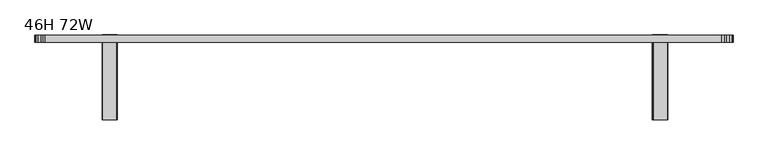
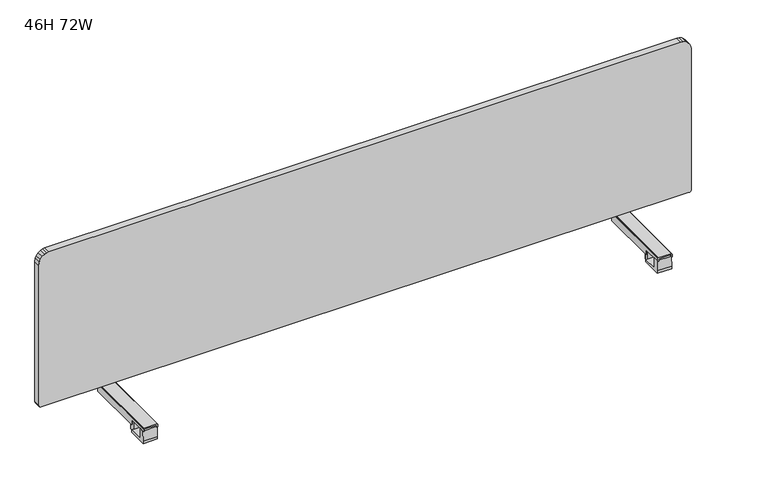
"""IFC4 building model written with IfcOpenShell, lengths in millimetres: furniture geometry, 46H 72W."""

from ifc_helpers import new_model, si_unit, frame, origin, place, context, project, spatial, polyline, outline, extrude, faceted_brep, source, transform, mapped, element, save


def furniture_46h_72w_7a86ad3f(model_context):
    return source(origin(), model_context, "Body", "SolidModel", [
        extrude(outline(polyline([(1645.1823822, -141.6031239), (1645.1823822, -154.2281164), (1616.18239, -154.2281164), (1616.18239, -141.6031239), (1616.7681646, -140.1889115), (1618.1823951, -139.6031279), (1643.1823953, -139.6031279), (1644.5966077, -140.1889115), (1645.1823822, -141.6031239)])), frame((0.0, 0.0, 646.9791864), z_axis=(0.0, 0.0, 1.0), x_axis=(1.0, 0.0, 0.0)), (0.0, 0.0, 1.0), 36.529965),
        extrude(outline(polyline([(-194.9781181, 683.4791388), (-194.9781181, 653.9791225), (-154.2281164, 653.9791225), (-154.2281164, 646.9791864), (-209.6031339, 646.9791864), (-209.6031339, 653.9791225), (-208.6031222, 683.4791388), (-194.9781181, 683.4791388)])), frame((1610.6823805, 0.0, 0.0), z_axis=(1.0, 0.0, 0.0), x_axis=(0.0, 1.0, 0.0)), (0.0, 0.0, 1.0), 40.0000112),
        faceted_brep([(1648.1423941, -211.9031207, 688.4791243), (1648.1423941, -211.9031207, 683.5091515), (1650.6823917, -211.9031207, 683.5091515), (1650.6823917, -211.9031207, 691.0191582), (1650.096599, -211.9031207, 692.4333887), (1648.6823866, -211.9031207, 693.0191814), (1612.6823856, -211.9031207, 693.0191814), (1611.2681732, -211.9031207, 692.4333887), (1610.6823805, -211.9031207, 691.0191582), (1610.6823805, -211.9031207, 683.5091515), (1613.2223781, -211.9031207, 683.5091515), (1613.2223781, -211.9031207, 688.4791243), (1613.8081708, -211.9031207, 689.8933548), (1615.2223832, -211.9031207, 690.4791475), (1646.142389, -211.9031207, 690.4791475), (1647.5566014, -211.9031207, 689.8933548), (1648.1423941, 9.9217944, 669.0191202), (1648.1423941, 9.9217944, 688.4791243), (1647.5566014, 9.9217944, 689.8933548), (1646.142389, 9.9217944, 690.4791475), (1615.2223832, 9.9217944, 690.4791475), (1613.8081708, 9.9217944, 689.8933548), (1613.2223781, 9.9217944, 688.4791243), (1613.2223781, 9.9217944, 669.0191202), (1610.6823805, 9.9217944, 669.0191202), (1610.6823805, 9.9217944, 691.0191582), (1611.2681732, 9.9217944, 692.4333887), (1612.6823856, 9.9217944, 693.0191814), (1648.6823866, 9.9217944, 693.0191814), (1650.096599, 9.9217944, 692.4333887), (1650.6823917, 9.9217944, 691.0191582), (1650.6823917, 9.9217944, 669.0191202), (1648.1423941, -154.103124, 669.0191202), (1648.1423941, -154.103124, 683.5091515), (1613.2223781, -154.103124, 683.5091515), (1613.2223781, -154.103124, 669.0191202), (1610.6823805, -154.103124, 669.0191202), (1610.6823805, -154.103124, 683.5091515), (1650.6823917, -154.103124, 683.5091515), (1650.6823917, -154.103124, 669.0191202)], [[[0, 1, 2, 3, 4, 5, 6, 7, 8, 9, 10, 11, 12, 13, 14, 15]], [[16, 17, 18, 19, 20, 21, 22, 23, 24, 25, 26, 27, 28, 29, 30, 31]], [[16, 32, 33, 1, 0, 17]], [[15, 18, 17, 0]], [[14, 19, 18, 15]], [[13, 20, 19, 14]], [[12, 21, 20, 13]], [[11, 22, 21, 12]], [[22, 11, 10, 34, 35, 23]], [[23, 35, 36, 24]], [[24, 36, 37, 9, 8, 25]], [[7, 26, 25, 8]], [[6, 27, 26, 7]], [[5, 28, 27, 6]], [[4, 29, 28, 5]], [[3, 30, 29, 4]], [[30, 3, 2, 38, 39, 31]], [[31, 39, 32, 16]], [[33, 32, 39, 38]], [[37, 36, 35, 34]], [[34, 10, 9, 37]], [[38, 2, 1, 33]]]),
        extrude(outline(polyline([(180.6018898, -141.6031239), (181.1876644, -140.1889115), (182.6018768, -139.6031279), (207.601877, -139.6031279), (209.0161075, -140.1889115), (209.6018821, -141.6031239), (209.6018821, -154.2281164), (180.6018898, -154.2281164), (180.6018898, -141.6031239)])), frame((0.0, 0.0, 646.9791864), z_axis=(0.0, 0.0, 1.0), x_axis=(1.0, 0.0, 0.0)), (0.0, 0.0, 1.0), 36.529965),
        extrude(outline(polyline([(-194.9781181, 683.4791388), (-194.9781181, 653.9791225), (-154.2281164, 653.9791225), (-154.2281164, 646.9791864), (-209.6031339, 646.9791864), (-209.6031339, 653.9791225), (-208.6031222, 683.4791388), (-194.9781181, 683.4791388)])), frame((175.1018803, 0.0, 0.0), z_axis=(1.0, 0.0, 0.0), x_axis=(0.0, 1.0, 0.0)), (0.0, 0.0, 1.0), 40.0000112),
        faceted_brep([(177.6418779, -211.9031207, 688.4791243), (178.2276707, -211.9031207, 689.8933548), (179.641883, -211.9031207, 690.4791475), (210.5618889, -211.9031207, 690.4791475), (211.9761012, -211.9031207, 689.8933548), (212.561894, -211.9031207, 688.4791243), (212.561894, -211.9031207, 683.5091515), (215.1018915, -211.9031207, 683.5091515), (215.1018915, -211.9031207, 691.0191582), (214.5160988, -211.9031207, 692.4333887), (213.1018864, -211.9031207, 693.0191814), (177.1018854, -211.9031207, 693.0191814), (175.6876731, -211.9031207, 692.4333887), (175.1018803, -211.9031207, 691.0191582), (175.1018803, -211.9031207, 683.5091515), (177.6418779, -211.9031207, 683.5091515), (177.6418779, 9.9217944, 669.0191202), (175.1018803, 9.9217944, 669.0191202), (175.1018803, 9.9217944, 691.0191582), (175.6876731, 9.9217944, 692.4333887), (177.1018854, 9.9217944, 693.0191814), (213.1018864, 9.9217944, 693.0191814), (214.5160988, 9.9217944, 692.4333887), (215.1018915, 9.9217944, 691.0191582), (215.1018915, 9.9217944, 669.0191202), (212.561894, 9.9217944, 669.0191202), (212.561894, 9.9217944, 688.4791243), (211.9761012, 9.9217944, 689.8933548), (210.5618889, 9.9217944, 690.4791475), (179.641883, 9.9217944, 690.4791475), (178.2276707, 9.9217944, 689.8933548), (177.6418779, 9.9217944, 688.4791243), (177.6418779, -154.103124, 683.5091515), (177.6418779, -154.103124, 669.0191202), (212.561894, -154.103124, 669.0191202), (212.561894, -154.103124, 683.5091515), (215.1018915, -154.103124, 669.0191202), (215.1018915, -154.103124, 683.5091515), (175.1018803, -154.103124, 669.0191202), (175.1018803, -154.103124, 683.5091515)], [[[0, 1, 2, 3, 4, 5, 6, 7, 8, 9, 10, 11, 12, 13, 14, 15]], [[16, 17, 18, 19, 20, 21, 22, 23, 24, 25, 26, 27, 28, 29, 30, 31]], [[16, 31, 0, 15, 32, 33]], [[1, 0, 31, 30]], [[2, 1, 30, 29]], [[3, 2, 29, 28]], [[4, 3, 28, 27]], [[5, 4, 27, 26]], [[26, 25, 34, 35, 6, 5]], [[25, 24, 36, 34]], [[24, 23, 8, 7, 37, 36]], [[9, 8, 23, 22]], [[10, 9, 22, 21]], [[11, 10, 21, 20]], [[12, 11, 20, 19]], [[13, 12, 19, 18]], [[18, 17, 38, 39, 14, 13]], [[17, 16, 33, 38]], [[32, 39, 38, 33]], [[37, 35, 34, 36]], [[39, 32, 15, 14]], [[35, 37, 7, 6]]]),
        extrude(outline(polyline([(1122.4893957, 1.0963127), (1112.1519318, 0.0), (699.3482108, 0.0), (697.1660213, 0.3957254), (695.7830389, 1.0884753), (694.849157, 1.8580863), (694.2090071, 2.6150063), (693.3471411, 4.2477782), (692.9891687, 6.3455874), (692.9891687, 1814.5798608), (693.3349325, 1816.6315524), (693.9944853, 1818.004579), (694.849375, 1819.0650521), (695.9120281, 1819.9240113), (697.3725494, 1820.6108153), (699.3104612, 1820.9225533), (1114.3352207, 1820.9225533), (1122.5486944, 1819.6925574), (1129.1224938, 1816.9975911), (1135.9988182, 1811.5647832), (1140.6993307, 1804.9735431), (1143.1121195, 1799.0282664), (1143.8645687, 1791.8595043), (1143.8645687, 27.5655904), (1143.0720784, 21.848712), (1140.7068884, 15.9030959), (1135.9970742, 9.339178), (1129.1243832, 3.9346733), (1122.4893957, 1.0963127)])), frame((0.0, -9.5249194, 0.0), z_axis=(0.0, 1.0, 0.0), x_axis=(0.0, 0.0, 1.0)), (0.0, 0.0, 1.0), 19.0498388),
    ])


if __name__ == "__main__":
    model = new_model("IFC4")
    model_context = context("Model", 3, world=origin())
    ifc_project = project(units=[si_unit("LENGTHUNIT", "METRE", prefix="MILLI")], contexts=[model_context])
    site = spatial("IfcSite", under=ifc_project)
    building = spatial("IfcBuilding", under=site)
    placement = place(None, origin())
    furniture_46h_72w_shape = furniture_46h_72w_7a86ad3f(model_context)
    element("IfcFurniture", 1, ObjectType="46H 72W", at=placement, inside=building, context=model_context, shape_type="MappedRepresentation", body=[
        mapped(furniture_46h_72w_shape, transform((0.0, 0.0, 0.0), x_axis=(1.0, 0.0, 0.0), y_axis=(0.0, 1.0, 0.0), z_axis=(0.0, 0.0, 1.0))),
    ])
    save(model, "model.ifc")
